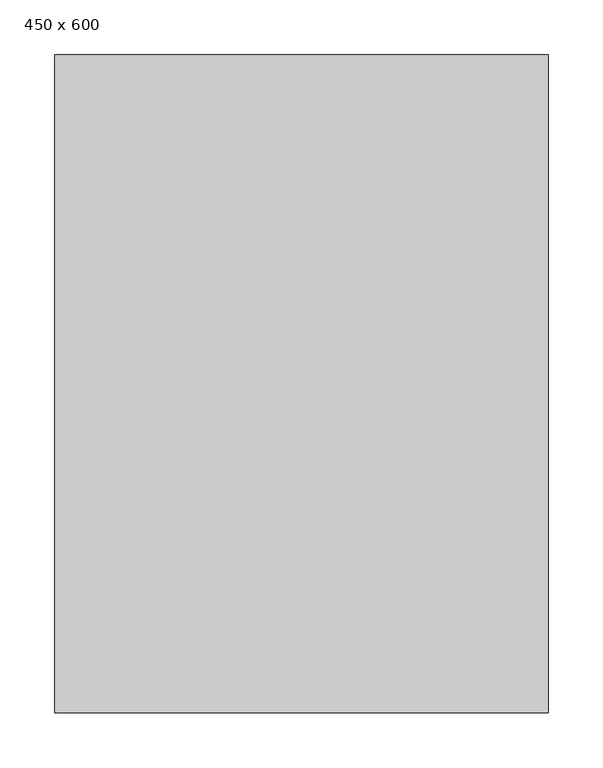
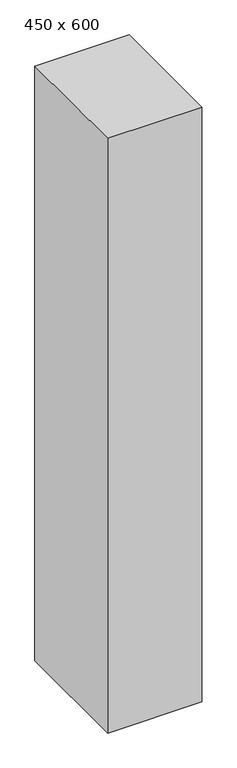
"""IFC4 building model written with IfcOpenShell, lengths in millimetres: column geometry, 450 x 600."""

from ifc_helpers import new_model, si_unit, origin, origin_with_axes, place, context, project, spatial, polyline, outline, extrude, source, transform, mapped, element, save


def column_450_x_600_2b408faa(model_context):
    return source(origin(), model_context, "Body", "SweptSolid", [
        extrude(outline(polyline([(225.0, 300.0), (225.0, -300.0), (-225.0, -300.0), (-225.0, 300.0), (225.0, 300.0)])), origin_with_axes(), (0.0, 0.0, 1.0), 3000.0),
    ])


if __name__ == "__main__":
    model = new_model("IFC4")
    model_context = context("Model", 3, world=origin())
    ifc_project = project(units=[si_unit("LENGTHUNIT", "METRE", prefix="MILLI")], contexts=[model_context])
    site = spatial("IfcSite", under=ifc_project)
    building = spatial("IfcBuilding", under=site)
    placement = place(None, origin())
    column_450_x_600_shape = column_450_x_600_2b408faa(model_context)
    element("IfcColumn", 1, ObjectType="450 x 600", at=placement, inside=building, context=model_context, shape_type="MappedRepresentation", body=[
        mapped(column_450_x_600_shape, transform((0.0, 0.0, 0.0), x_axis=(1.0, 0.0, 0.0), y_axis=(0.0, 1.0, 0.0), z_axis=(0.0, 0.0, 1.0))),
    ])
    save(model, "model.ifc")
